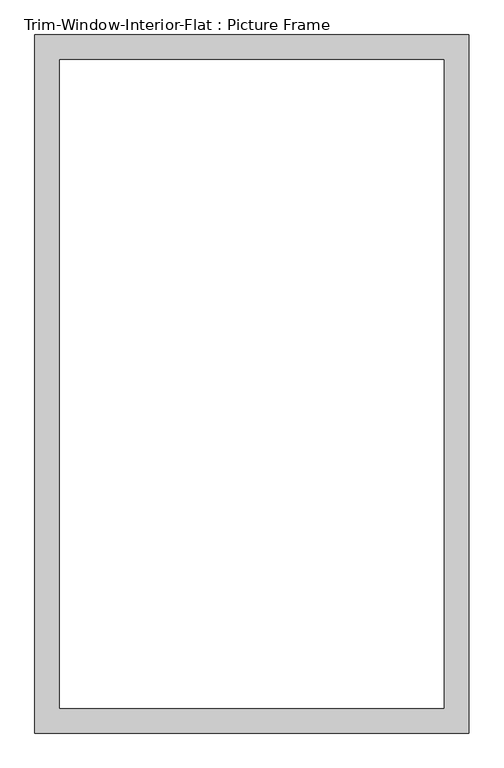
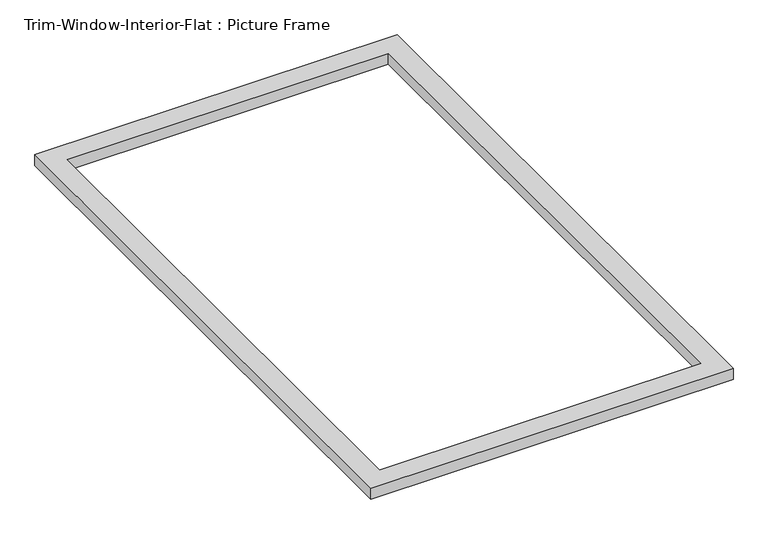
"""IFC4 building model written with IfcOpenShell, lengths in millimetres: proxy geometry, Trim-Window-Interior-Flat : Picture Frame."""

from ifc_helpers import new_model, si_unit, origin, origin_with_axes, place, context, project, spatial, polyline, outline, extrude, source, transform, mapped, element, save


def trim_window_interior_flat_picture_frame_c6d1f594(model_context):
    return source(origin(), model_context, "Body", "SweptSolid", [
        extrude(outline(polyline([(501.65, -44.45), (-501.65, -44.45), (-501.65, 1568.45), (501.65, 1568.45), (501.65, -44.45)]), holes=[polyline([(444.5, 12.7), (444.5, 1511.3), (-444.5, 1511.3), (-444.5, 12.7), (444.5, 12.7)])]), origin_with_axes(), (0.0, 0.0, 1.0), 31.75),
    ])


if __name__ == "__main__":
    model = new_model("IFC4")
    model_context = context("Model", 3, world=origin())
    ifc_project = project(units=[si_unit("LENGTHUNIT", "METRE", prefix="MILLI")], contexts=[model_context])
    site = spatial("IfcSite", under=ifc_project)
    building = spatial("IfcBuilding", under=site)
    placement = place(None, origin())
    trim_window_interior_flat_picture_frame_shape = trim_window_interior_flat_picture_frame_c6d1f594(model_context)
    element("IfcBuildingElementProxy", 1, Name="Trim-Window-Interior-Flat : Picture Frame", ObjectType="Trim-Window-Interior-Flat : Picture Frame", at=placement, inside=building, context=model_context, shape_type="MappedRepresentation", body=[
        mapped(trim_window_interior_flat_picture_frame_shape, transform((0.0, 0.0, 0.0), x_axis=(1.0, 0.0, 0.0), y_axis=(0.0, 1.0, 0.0), z_axis=(0.0, 0.0, 1.0))),
    ])
    save(model, "model.ifc")
